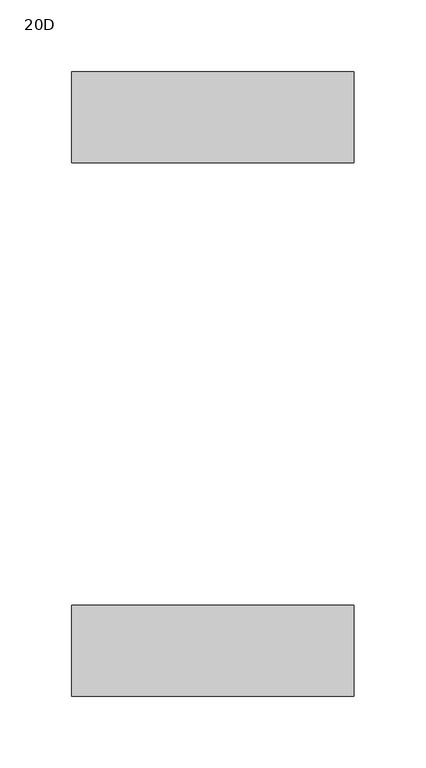
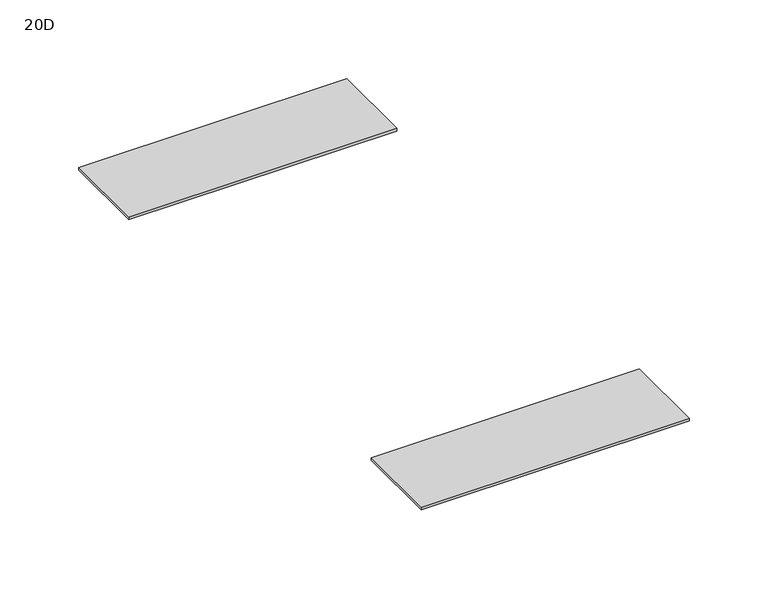
"""IFC4 building model written with IfcOpenShell, lengths in millimetres: furniture geometry, 20D."""

from ifc_helpers import new_model, si_unit, frame, origin, place, context, project, spatial, polyline, outline, extrude, source, transform, mapped, element, save


def furniture_20d_3cd37e6d(model_context):
    return source(origin(), model_context, "Body", "SweptSolid", [
        extrude(outline(polyline([(-657.9585985, 228.5226437), (-461.1085985, 228.5226437), (-461.1085985, 165.0226437), (-657.9585985, 165.0226437), (-657.9585985, 228.5226437)])), frame((0.0, 0.0, 704.9262), z_axis=(0.0, 0.0, 1.0), x_axis=(1.0, 0.0, 0.0)), (0.0, 0.0, 1.0), 2.0828),
        extrude(outline(polyline([(-657.9585985, 600.1246437), (-461.1085985, 600.1246437), (-461.1085985, 536.6246437), (-657.9585985, 536.6246437), (-657.9585985, 600.1246437)])), frame((0.0, 0.0, 704.9262), z_axis=(0.0, 0.0, 1.0), x_axis=(1.0, 0.0, 0.0)), (0.0, 0.0, 1.0), 2.0828),
    ])


if __name__ == "__main__":
    model = new_model("IFC4")
    model_context = context("Model", 3, world=origin())
    ifc_project = project(units=[si_unit("LENGTHUNIT", "METRE", prefix="MILLI")], contexts=[model_context])
    site = spatial("IfcSite", under=ifc_project)
    building = spatial("IfcBuilding", under=site)
    placement = place(None, origin())
    furniture_20d_shape = furniture_20d_3cd37e6d(model_context)
    element("IfcFurniture", 1, ObjectType="20D", at=placement, inside=building, context=model_context, shape_type="MappedRepresentation", body=[
        mapped(furniture_20d_shape, transform((0.0, 0.0, 0.0), x_axis=(1.0, 0.0, 0.0), y_axis=(0.0, 1.0, 0.0), z_axis=(0.0, 0.0, 1.0))),
    ])
    save(model, "model.ifc")
